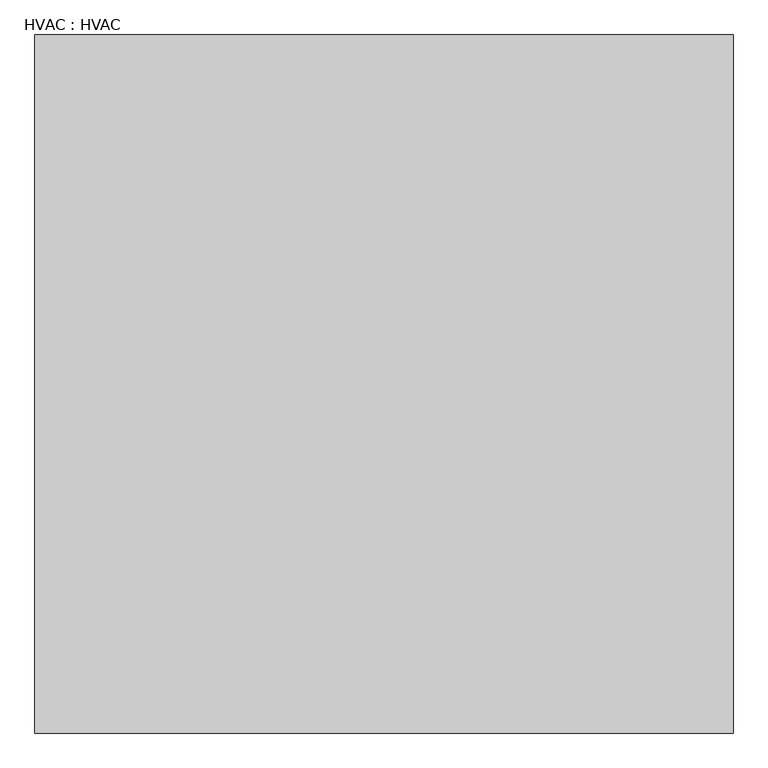
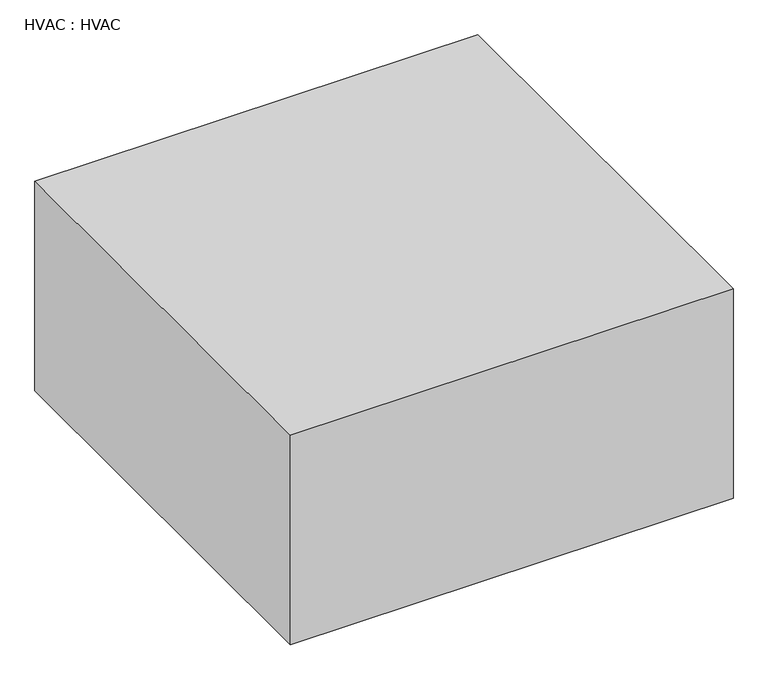
"""IFC4 building model written with IfcOpenShell, lengths in millimetres: proxy geometry, HVAC : HVAC."""

from ifc_helpers import new_model, si_unit, frame, origin, place, context, project, spatial, polyline, outline, extrude, source, transform, mapped, element, save


def hvac_hvac_206531ea(model_context):
    return source(origin(), model_context, "Body", "SweptSolid", [
        extrude(outline(polyline([(-54.9468949, -12875.957513), (-54.9468949, -20191.157513), (-7370.1468949, -20191.157513), (-7370.1468949, -12875.957513), (-54.9468949, -12875.957513)])), frame((0.0, 0.0, 25908.0), z_axis=(0.0, 0.0, 1.0), x_axis=(1.0, 0.0, 0.0)), (0.0, 0.0, 1.0), 3657.6),
    ])


if __name__ == "__main__":
    model = new_model("IFC4")
    model_context = context("Model", 3, world=origin())
    ifc_project = project(units=[si_unit("LENGTHUNIT", "METRE", prefix="MILLI")], contexts=[model_context])
    site = spatial("IfcSite", under=ifc_project)
    building = spatial("IfcBuilding", under=site)
    placement = place(None, origin())
    hvac_hvac_shape = hvac_hvac_206531ea(model_context)
    element("IfcBuildingElementProxy", 1, Name="HVAC : HVAC", ObjectType="HVAC : HVAC", at=placement, inside=building, context=model_context, shape_type="MappedRepresentation", body=[
        mapped(hvac_hvac_shape, transform((0.0, 0.0, 0.0), x_axis=(1.0, 0.0, 0.0), y_axis=(0.0, 1.0, 0.0), z_axis=(0.0, 0.0, 1.0))),
    ])
    save(model, "model.ifc")
